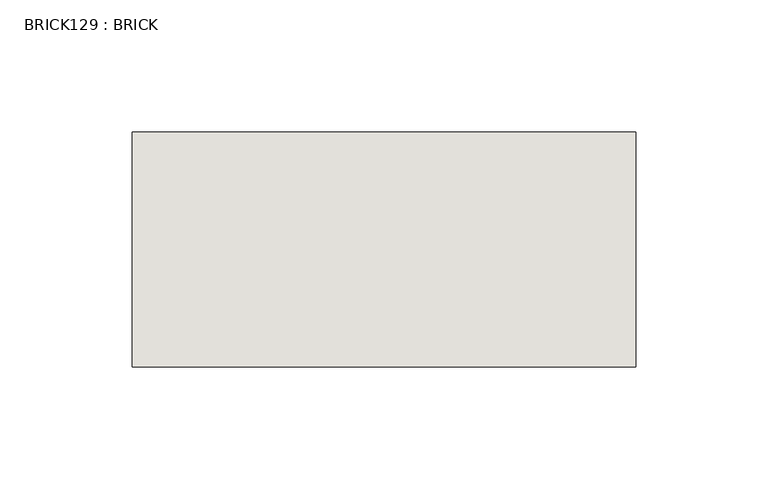
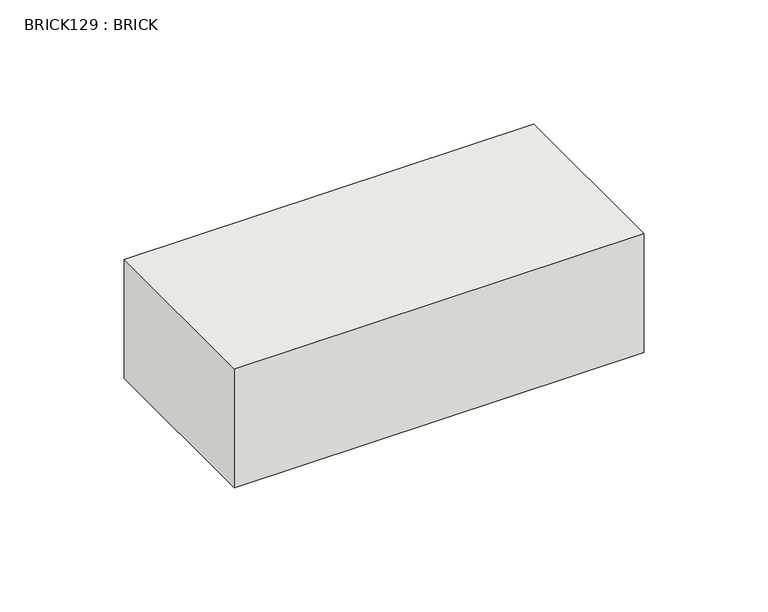
"""IFC4 building model written with IfcOpenShell, lengths in millimetres: wall geometry, BRICK129 : BRICK."""

from ifc_helpers import new_model, si_unit, frame, origin, place, context, project, spatial, polyline, outline, extrude, source, transform, mapped, element, save


def brick129_brick_7a3b9a1e(model_context):
    return source(origin(), model_context, "Body", "SweptSolid", [
        extrude(outline(polyline([(428.4530711, 2586.2274125), (618.9530711, 2586.2274125), (618.9530711, 2497.3274125), (428.4530711, 2497.3274125), (428.4530711, 2586.2274125)])), frame((0.0, 0.0, 493.4148438), z_axis=(0.0, 0.0, 1.0), x_axis=(1.0, 0.0, 0.0)), (0.0, 0.0, 1.0), 58.4398437),
    ])


if __name__ == "__main__":
    model = new_model("IFC4")
    model_context = context("Model", 3, world=origin())
    ifc_project = project(units=[si_unit("LENGTHUNIT", "METRE", prefix="MILLI")], contexts=[model_context])
    site = spatial("IfcSite", under=ifc_project)
    building = spatial("IfcBuilding", under=site)
    placement = place(None, origin())
    brick129_brick_shape = brick129_brick_7a3b9a1e(model_context)
    element("IfcWall", 1, ObjectType="BRICK129 : BRICK", at=placement, inside=building, context=model_context, shape_type="MappedRepresentation", body=[
        mapped(brick129_brick_shape, transform((0.0, 0.0, 0.0), x_axis=(1.0, 0.0, 0.0), y_axis=(0.0, 1.0, 0.0), z_axis=(0.0, 0.0, 1.0))),
    ])
    save(model, "model.ifc")
